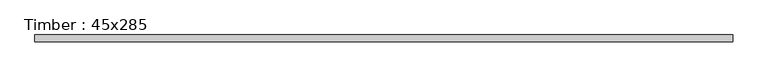
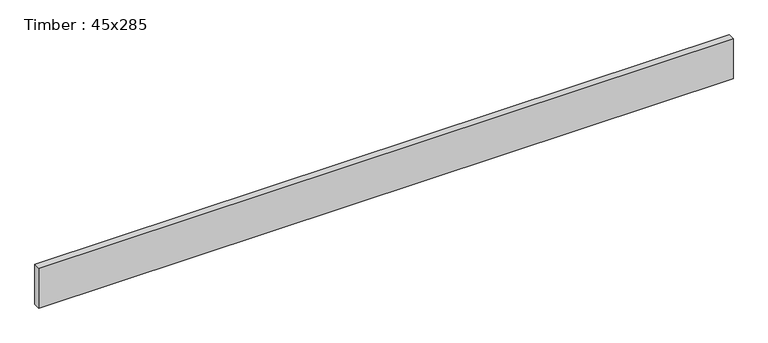
"""IFC4 building model written with IfcOpenShell, lengths in millimetres: beam geometry, Timber : 45x285."""

from ifc_helpers import new_model, si_unit, frame, origin, place, context, project, spatial, polyline, outline, extrude, source, transform, mapped, element, save


def timber_45x285_40696a43(model_context):
    return source(origin(), model_context, "Body", "SweptSolid", [
        extrude(outline(polyline([(2348.0, 22.5), (2348.0, -22.5), (-2348.0, -22.5), (-2348.0, 22.5), (2348.0, 22.5)])), frame((0.0, 0.0, -142.5), z_axis=(0.0, 0.0, 1.0), x_axis=(1.0, 0.0, 0.0)), (0.0, 0.0, 1.0), 285.0),
    ])


if __name__ == "__main__":
    model = new_model("IFC4")
    model_context = context("Model", 3, world=origin())
    ifc_project = project(units=[si_unit("LENGTHUNIT", "METRE", prefix="MILLI")], contexts=[model_context])
    site = spatial("IfcSite", under=ifc_project)
    building = spatial("IfcBuilding", under=site)
    placement = place(None, origin())
    timber_45x285_shape = timber_45x285_40696a43(model_context)
    element("IfcBeam", 1, ObjectType="Timber : 45x285", at=placement, inside=building, context=model_context, shape_type="MappedRepresentation", body=[
        mapped(timber_45x285_shape, transform((0.0, 0.0, 0.0), x_axis=(1.0, 0.0, 0.0), y_axis=(0.0, 1.0, 0.0), z_axis=(0.0, 0.0, 1.0))),
    ])
    save(model, "model.ifc")
